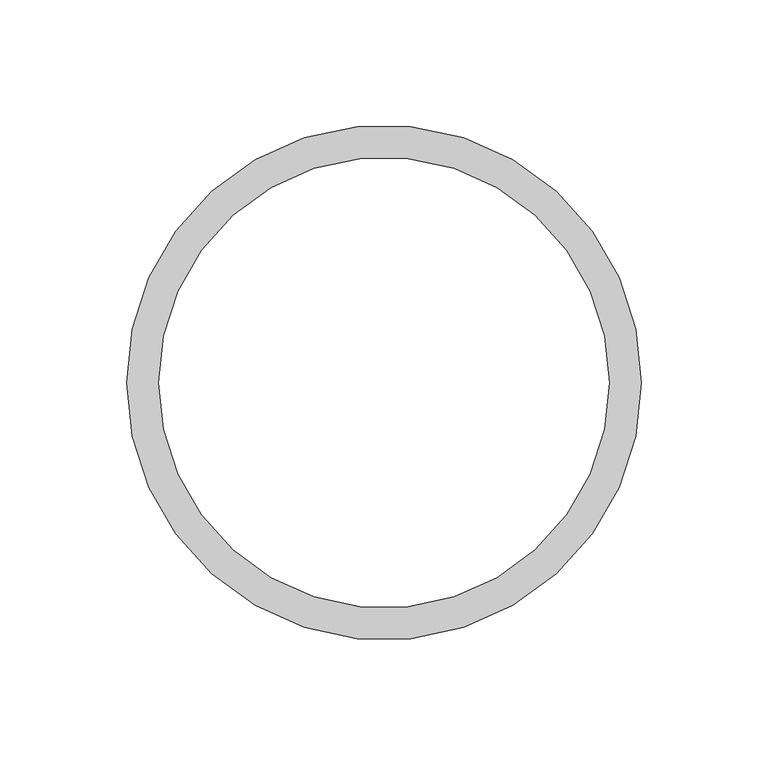
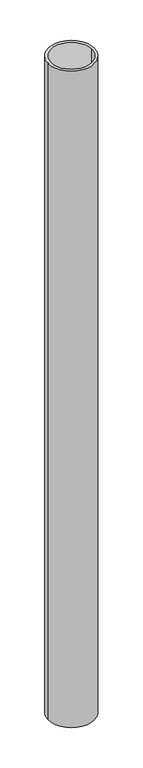
"""IFC4 building model written with IfcOpenShell, lengths in millimetres: proxy geometry."""

import ifcopenshell
import ifcopenshell.guid

model = None  # the IFC model being written
_history = None  # IfcOwnerHistory: only IFC2X3 demands one
_inside = {}  # id of a spatial element -> (the spatial element, [elements in it])
_under = {}  # id of a project, library or spatial element -> (it, [spatial elements below it])
_declared = {}  # id of a project -> (the project, [libraries it declares])
_typed = {}  # id of a type object -> (the type object, [elements of that type])
_made_of = {}  # id of a material, layer set ... -> (it, [elements and type objects made of it])


def new_model(schema):
    """Start an empty IFC model of exactly this schema.

    Asked for "IFC4X3", IfcOpenShell would pick the latest addendum, in which some entities
    have other attributes; the version numbers below select the first issue.
    IFC2X3 requires an IfcOwnerHistory on every rooted entity: one is made here for all.
    """
    global model, _history
    if schema == "IFC4X3":
        model = ifcopenshell.file(schema_version=(4, 3, 0, 0))
    else:
        model = ifcopenshell.file(schema=schema)
    _inside.clear()
    _under.clear()
    _declared.clear()
    _typed.clear()
    _made_of.clear()
    _history = None
    if model.schema == "IFC2X3":
        org = make("IfcOrganization", Name="unknown")
        user = make(
            "IfcPersonAndOrganization",
            ThePerson=make("IfcPerson", FamilyName="unknown"),
            TheOrganization=org,
        )
        app = make(
            "IfcApplication",
            ApplicationDeveloper=org,
            Version="unknown",
            ApplicationFullName="unknown",
            ApplicationIdentifier="unknown",
        )
        _history = make(
            "IfcOwnerHistory",
            OwningUser=user,
            OwningApplication=app,
            ChangeAction="ADDED",
            CreationDate=0,
        )
    return model


def make(cls, **values):
    """One entity of the class cls with the attributes given. An attribute that is None is left unset."""
    return model.create_entity(
        cls, **{name: value for name, value in values.items() if value is not None}
    )


def rooted(cls, **values):
    """An entity with a GlobalId (a new one), such as an element, a storey or a relation."""
    return make(cls, GlobalId=ifcopenshell.guid.new(), OwnerHistory=_history, **values)


def si_unit(unit_type, name, prefix=None):
    """IfcSIUnit, for example si_unit("LENGTHUNIT", "METRE", prefix="MILLI")."""
    return make("IfcSIUnit", UnitType=unit_type, Prefix=prefix, Name=name)


def assignment(units):
    """IfcUnitAssignment: the units of a project."""
    return None if units is None else make("IfcUnitAssignment", Units=units)


def point(xyz):
    """IfcCartesianPoint."""
    return None if xyz is None else make("IfcCartesianPoint", Coordinates=xyz)


def direction(xyz):
    """IfcDirection."""
    return None if xyz is None else make("IfcDirection", DirectionRatios=xyz)


def frame(location, z_axis=None, x_axis=None):
    """IfcAxis2Placement3D, a coordinate frame: its origin and axes. An axis left out is left unset."""
    return make(
        "IfcAxis2Placement3D",
        Location=point(location),
        Axis=direction(z_axis),
        RefDirection=direction(x_axis),
    )


def frame_2d(location, x_axis=None):
    """IfcAxis2Placement2D, a coordinate frame in the plane: its origin and x axis."""
    return make(
        "IfcAxis2Placement2D", Location=point(location), RefDirection=direction(x_axis)
    )


def origin():
    """The frame at (0, 0, 0) with its axes left unset."""
    return frame((0.0, 0.0, 0.0))


def origin_with_axes():
    """The frame at (0, 0, 0) with the z axis (0, 0, 1) and the x axis (1, 0, 0) written out."""
    return frame((0.0, 0.0, 0.0), z_axis=(0.0, 0.0, 1.0), x_axis=(1.0, 0.0, 0.0))


def place(relative_to, where):
    """IfcLocalPlacement: puts the frame where relative to a parent placement (None: the world)."""
    return make(
        "IfcLocalPlacement", PlacementRelTo=relative_to, RelativePlacement=where
    )


def context(
    kind, dimensions, precision=None, world=None, true_north=None, identifier=None
):
    """IfcGeometricRepresentationContext, for example the 3D "Model" context."""
    return make(
        "IfcGeometricRepresentationContext",
        ContextIdentifier=identifier,
        ContextType=kind,
        CoordinateSpaceDimension=dimensions,
        Precision=precision,
        WorldCoordinateSystem=world,
        TrueNorth=true_north,
    )


def project(units=None, contexts=None):
    """IfcProject with its units and contexts."""
    return rooted(
        "IfcProject",
        Name="project",
        RepresentationContexts=contexts,
        UnitsInContext=assignment(units),
    )


def spatial(cls, under=None, at=None, **own):
    """A site, building, storey or space (cls), placed at a placement, below another one or the project."""
    s = rooted(cls, ObjectPlacement=at, **own)
    if under is not None:
        _under.setdefault(under.id(), (under, []))[1].append(s)
    return s


def circle_curve(where, radius):
    """IfcCircle in the frame where."""
    return make("IfcCircle", Position=where, Radius=radius)


def trimmed(basis, trim1, trim2, sense, master):
    """IfcTrimmedCurve: the piece of a basis curve between two trims."""
    return make(
        "IfcTrimmedCurve",
        BasisCurve=basis,
        Trim1=trim1,
        Trim2=trim2,
        SenseAgreement=sense,
        MasterRepresentation=master,
    )


def segment(curve, same_sense, transition):
    """IfcCompositeCurveSegment."""
    return make(
        "IfcCompositeCurveSegment",
        Transition=transition,
        SameSense=same_sense,
        ParentCurve=curve,
    )


def composite_curve(segments, self_intersect=None):
    """IfcCompositeCurve: segments joined end to end."""
    return make("IfcCompositeCurve", Segments=segments, SelfIntersect=self_intersect)


def outline(outer, holes=None, kind="AREA"):
    """IfcArbitraryClosedProfileDef: a profile drawn as a closed curve; with holes, ...WithVoids."""
    if holes is None:
        return make("IfcArbitraryClosedProfileDef", ProfileType=kind, OuterCurve=outer)
    return make(
        "IfcArbitraryProfileDefWithVoids",
        ProfileType=kind,
        OuterCurve=outer,
        InnerCurves=holes,
    )


def extrude(swept, where, along, depth):
    """IfcExtrudedAreaSolid: the profile swept, set in the frame where, extruded along a direction by depth."""
    return make(
        "IfcExtrudedAreaSolid",
        SweptArea=swept,
        Position=where,
        ExtrudedDirection=direction(along),
        Depth=depth,
    )


def shape(context_of_items, identifier, shape_type, items):
    """IfcShapeRepresentation: the items that make up one representation, for example the "Body"."""
    return make(
        "IfcShapeRepresentation",
        ContextOfItems=context_of_items,
        RepresentationIdentifier=identifier,
        RepresentationType=shape_type,
        Items=items,
    )


def source(mapping_origin, context_of_items, identifier, shape_type, items):
    """IfcRepresentationMap: a shape defined once, which mapped items show again and again."""
    return make(
        "IfcRepresentationMap",
        MappingOrigin=mapping_origin,
        MappedRepresentation=shape(context_of_items, identifier, shape_type, items),
    )


def transform(
    local_origin,
    x_axis=None,
    y_axis=None,
    z_axis=None,
    scale=None,
    scale2=None,
    scale3=None,
    uniform=True,
):
    """IfcCartesianTransformationOperator3D, or its non-uniform kind. x_axis, y_axis, z_axis: its Axis1, 2, 3."""
    if uniform:
        return make(
            "IfcCartesianTransformationOperator3D",
            Axis1=direction(x_axis),
            Axis2=direction(y_axis),
            LocalOrigin=point(local_origin),
            Scale=scale,
            Axis3=direction(z_axis),
        )
    return make(
        "IfcCartesianTransformationOperator3DnonUniform",
        Axis1=direction(x_axis),
        Axis2=direction(y_axis),
        LocalOrigin=point(local_origin),
        Scale=scale,
        Axis3=direction(z_axis),
        Scale2=scale2,
        Scale3=scale3,
    )


def mapped(mapping_source, mapping_target):
    """IfcMappedItem: shows the shape of a source again, moved by a transform."""
    return make(
        "IfcMappedItem", MappingSource=mapping_source, MappingTarget=mapping_target
    )


def made_of(thing, what):
    """Note that an element or type object is made of a material, layer set ...; save() writes the relation."""
    if what is not None:
        _made_of.setdefault(what.id(), (what, []))[1].append(thing)
    return thing


def element(
    cls,
    number,
    at=None,
    inside=None,
    cuts=None,
    type_object=None,
    material=None,
    context=None,
    identifier="Body",
    shape_type=None,
    held_by="IfcProductDefinitionShape",
    body=None,
    shapes=None,
    **own,
):
    """One element of the class cls, such as IfcWall. Its Tag is "e" and its number.

    at: its placement. inside: the storey or other place that contains it. cuts: it is an
    opening in that element (IfcRelVoidsElement). A single representation is given by context,
    identifier, shape_type and body (its items); several are given by shapes. held_by: the class
    of the entity that holds the representations. save() writes the other relations.
    """
    e = rooted(cls, Tag="e%d" % number, ObjectPlacement=at, **own)
    if body is not None:
        shapes = [shape(context, identifier, shape_type, body)]
    if shapes is not None:
        e.Representation = make(held_by, Representations=shapes)
    if inside is not None:
        _inside.setdefault(inside.id(), (inside, []))[1].append(e)
    if cuts is not None:
        rooted(
            "IfcRelVoidsElement", RelatingBuildingElement=cuts, RelatedOpeningElement=e
        )
    if type_object is not None:
        _typed.setdefault(type_object.id(), (type_object, []))[1].append(e)
    return made_of(e, material)


def aggregate(whole, parts):
    """IfcRelAggregates: a whole, such as a stair, and the parts it consists of."""
    return rooted("IfcRelAggregates", RelatingObject=whole, RelatedObjects=parts)


def save(model, path):
    """Write the relations noted so far, then the file.

    IfcRelAggregates (storeys below a building ...), IfcRelContainedInSpatialStructure (elements
    in a storey), IfcRelDefinesByType, IfcRelAssociatesMaterial and IfcRelDeclares: one each for
    every whole, place, type object, material and project.
    """
    for whole, parts in _under.values():
        aggregate(whole, parts)
    for where, things in _inside.values():
        rooted(
            "IfcRelContainedInSpatialStructure",
            RelatedElements=things,
            RelatingStructure=where,
        )
    for kind, things in _typed.values():
        rooted("IfcRelDefinesByType", RelatedObjects=things, RelatingType=kind)
    for what, things in _made_of.values():
        rooted("IfcRelAssociatesMaterial", RelatedObjects=things, RelatingMaterial=what)
    for by, libraries in _declared.values():
        rooted("IfcRelDeclares", RelatingContext=by, RelatedDefinitions=libraries)
    model.write(path)


def generic_models_f4f71ce6(model_context):
    return source(origin(), model_context, "Body", "SweptSolid", [
        extrude(outline(composite_curve([segment(trimmed(circle_curve(frame_2d((3209.419142, -4252.8581299)), 101.6), [point((3107.819142, -4252.8581299))], [point((3311.019142, -4252.8581299))], False, "CARTESIAN"), True, "CONTINUOUS"), segment(trimmed(circle_curve(frame_2d((3209.419142, -4252.8581299)), 101.6), [point((3311.019142, -4252.8581299))], [point((3107.819142, -4252.8581299))], False, "CARTESIAN"), True, "CONTINUOUS")], self_intersect=False), holes=[composite_curve([segment(trimmed(circle_curve(frame_2d((3209.419142, -4252.8581299)), 88.9), [point((3120.519142, -4252.8581299))], [point((3298.319142, -4252.8581299))], True, "CARTESIAN"), True, "CONTINUOUS"), segment(trimmed(circle_curve(frame_2d((3209.419142, -4252.8581299)), 88.9), [point((3298.319142, -4252.8581299))], [point((3120.519142, -4252.8581299))], True, "CARTESIAN"), True, "CONTINUOUS")], self_intersect=False)]), origin_with_axes(), (0.0, 0.0, 1.0), 3048.0),
    ])


if __name__ == "__main__":
    model = new_model("IFC4")
    model_context = context("Model", 3, world=origin())
    ifc_project = project(units=[si_unit("LENGTHUNIT", "METRE", prefix="MILLI")], contexts=[model_context])
    site = spatial("IfcSite", under=ifc_project)
    building = spatial("IfcBuilding", under=site)
    placement = place(None, origin())
    generic_models_shape = generic_models_f4f71ce6(model_context)
    element("IfcBuildingElementProxy", 1, Name="Generic Models", at=placement, inside=building, context=model_context, shape_type="MappedRepresentation", body=[
        mapped(generic_models_shape, transform((0.0, 0.0, 0.0), x_axis=(1.0, 0.0, 0.0), y_axis=(0.0, 1.0, 0.0), z_axis=(0.0, 0.0, 1.0))),
    ])
    save(model, "model.ifc")
